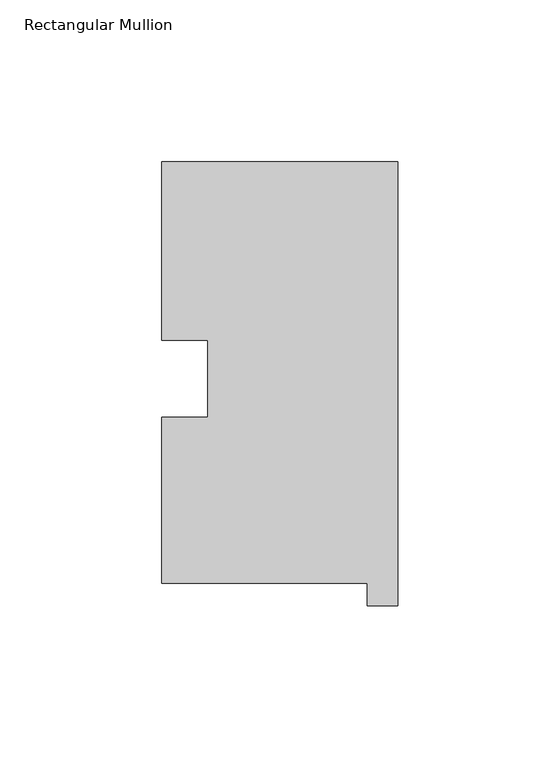
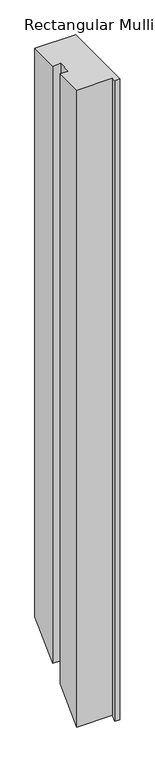
"""IFC4 building model written with IfcOpenShell, lengths in millimetres: member geometry, Rectangular Mullion."""

from ifc_helpers import new_model, si_unit, origin, place, context, project, spatial, faceted_brep, source, transform, mapped, element, save


def rectangular_mullion_630d7f89(model_context):
    return source(origin(), model_context, "Body", "Brep", [
        faceted_brep([(-9.525, 0.26035, 0.0), (-9.525, -6.64845, 0.0), (0.0, -6.64845, 0.0), (0.0, 130.56235, 0.0), (-73.025, 130.56235, 0.0), (-73.025, 75.40625, 0.0), (-58.785125, 75.40625, 0.0), (-58.785125, 51.60645, 0.0), (-73.025, 51.60645, 0.0), (-73.025, 0.26035, 0.0), (-9.525, 0.26035, -1206.246), (-9.525, -6.64845, -1213.1548), (0.0, -6.64845, -1213.1548), (0.0, 130.56235, -1075.944), (-73.025, 130.56235, -1075.944), (-73.025, 75.40625, -1131.1001), (-58.785125, 75.40625, -1131.1001), (-58.785125, 51.60645, -1154.8999), (-73.025, 51.60645, -1154.8999), (-73.025, 0.26035, -1206.246)], [[[0, 1, 2, 3, 4, 5, 6, 7, 8, 9]], [[1, 0, 10, 11]], [[2, 1, 11, 12]], [[3, 2, 12, 13]], [[4, 3, 13, 14]], [[5, 4, 14, 15]], [[6, 5, 15, 16]], [[7, 6, 16, 17]], [[8, 7, 17, 18]], [[9, 8, 18, 19]], [[0, 9, 19, 10]], [[10, 19, 18, 17, 16, 15, 14, 13, 12, 11]]]),
    ])


if __name__ == "__main__":
    model = new_model("IFC4")
    model_context = context("Model", 3, world=origin())
    ifc_project = project(units=[si_unit("LENGTHUNIT", "METRE", prefix="MILLI")], contexts=[model_context])
    site = spatial("IfcSite", under=ifc_project)
    building = spatial("IfcBuilding", under=site)
    placement = place(None, origin())
    rectangular_mullion_shape = rectangular_mullion_630d7f89(model_context)
    element("IfcMember", 1, ObjectType="Rectangular Mullion", at=placement, inside=building, context=model_context, shape_type="MappedRepresentation", body=[
        mapped(rectangular_mullion_shape, transform((0.0, 0.0, 0.0), x_axis=(1.0, 0.0, 0.0), y_axis=(0.0, 1.0, 0.0), z_axis=(0.0, 0.0, 1.0))),
    ])
    save(model, "model.ifc")
